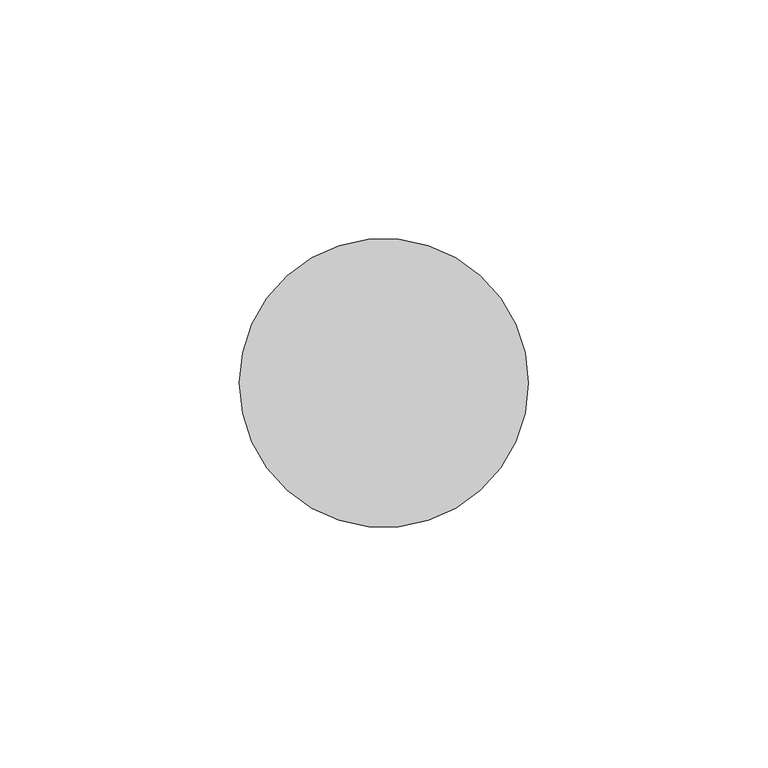
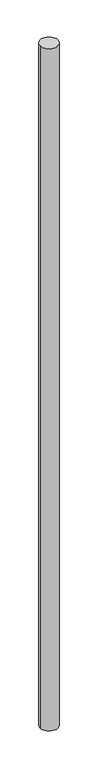
"""IFC4 building model written with IfcOpenShell, lengths in millimetres: railing geometry."""

from ifc_helpers import new_model, si_unit, point, frame, frame_2d, origin, place, context, project, spatial, circle_curve, trimmed, segment, composite_curve, outline, extrude, source, transform, mapped, element, save


def railing_d7aac7fd(model_context):
    return source(origin(), model_context, "Body", "SweptSolid", [
        extrude(outline(composite_curve([segment(trimmed(circle_curve(frame_2d((906.5418624, 673.0014637)), 30.1625), [point((876.3793624, 673.0014637))], [point((936.7043624, 673.0014637))], False, "CARTESIAN"), True, "CONTINUOUS"), segment(trimmed(circle_curve(frame_2d((906.5418624, 673.0014637)), 30.1625), [point((936.7043624, 673.0014637))], [point((876.3793624, 673.0014637))], False, "CARTESIAN"), True, "CONTINUOUS")], self_intersect=False)), frame((0.0, 0.0, 7620.0), z_axis=(0.0, 0.0, 1.0), x_axis=(1.0, 0.0, 0.0)), (0.0, 0.0, 1.0), 2438.4),
    ])


if __name__ == "__main__":
    model = new_model("IFC4")
    model_context = context("Model", 3, world=origin())
    ifc_project = project(units=[si_unit("LENGTHUNIT", "METRE", prefix="MILLI")], contexts=[model_context])
    site = spatial("IfcSite", under=ifc_project)
    building = spatial("IfcBuilding", under=site)
    placement = place(None, origin())
    railing_shape = railing_d7aac7fd(model_context)
    element("IfcRailing", 1, at=placement, inside=building, context=model_context, shape_type="MappedRepresentation", body=[
        mapped(railing_shape, transform((0.0, 0.0, 0.0), x_axis=(1.0, 0.0, 0.0), y_axis=(0.0, 1.0, 0.0), z_axis=(0.0, 0.0, 1.0))),
    ])
    save(model, "model.ifc")
